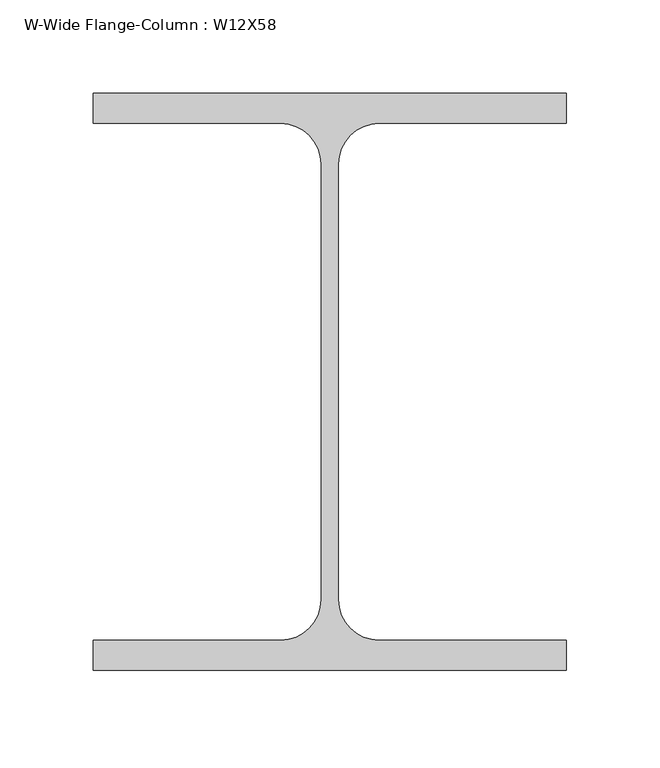
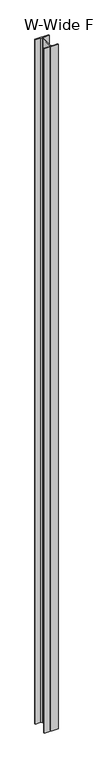
"""IFC4 building model written with IfcOpenShell, lengths in millimetres: column geometry, W-Wide Flange-Column : W12X58."""

from ifc_helpers import new_model, si_unit, point, frame, frame_2d, origin, place, context, project, spatial, polyline, circle_curve, trimmed, segment, composite_curve, outline, extrude, source, transform, mapped, element, save


def w_wide_flange_column_w12x58_a8f0b016(model_context):
    return source(origin(), model_context, "Body", "SweptSolid", [
        extrude(outline(composite_curve([segment(polyline([(127.0, 154.9300781), (127.0, 138.6582031), (26.3921875, 138.6582031)]), True, "CONTINUOUS"), segment(trimmed(circle_curve(frame_2d((26.3921875, 116.8300781)), 21.828125), [point((26.3921875, 138.6582031))], [point((4.5640625, 116.8300781))], True, "CARTESIAN"), True, "CONTINUOUS"), segment(polyline([(4.5640625, 116.8300781), (4.5640625, -116.8300781)]), True, "CONTINUOUS"), segment(trimmed(circle_curve(frame_2d((26.3921875, -116.8300781)), 21.828125), [point((4.5640625, -116.8300781))], [point((26.3921875, -138.6582031))], True, "CARTESIAN"), True, "CONTINUOUS"), segment(polyline([(26.3921875, -138.6582031), (127.0, -138.6582031), (127.0, -154.9300781), (-127.0, -154.9300781), (-127.0, -138.6582031), (-26.3921875, -138.6582031)]), True, "CONTINUOUS"), segment(trimmed(circle_curve(frame_2d((-26.3921875, -116.8300781)), 21.828125), [point((-26.3921875, -138.6582031))], [point((-4.5640625, -116.8300781))], True, "CARTESIAN"), True, "CONTINUOUS"), segment(polyline([(-4.5640625, -116.8300781), (-4.5640625, 116.8300781)]), True, "CONTINUOUS"), segment(trimmed(circle_curve(frame_2d((-26.3921875, 116.8300781)), 21.828125), [point((-4.5640625, 116.8300781))], [point((-26.3921875, 138.6582031))], True, "CARTESIAN"), True, "CONTINUOUS"), segment(polyline([(-26.3921875, 138.6582031), (-127.0, 138.6582031), (-127.0, 154.9300781), (127.0, 154.9300781)]), True, "CONTINUOUS")], self_intersect=False)), frame((0.0, 0.0, -4165.6), z_axis=(0.0, 0.0, 1.0), x_axis=(1.0, 0.0, 0.0)), (0.0, 0.0, 1.0), 13512.8),
    ])


if __name__ == "__main__":
    model = new_model("IFC4")
    model_context = context("Model", 3, world=origin())
    ifc_project = project(units=[si_unit("LENGTHUNIT", "METRE", prefix="MILLI")], contexts=[model_context])
    site = spatial("IfcSite", under=ifc_project)
    building = spatial("IfcBuilding", under=site)
    placement = place(None, origin())
    w_wide_flange_column_w12x58_shape = w_wide_flange_column_w12x58_a8f0b016(model_context)
    element("IfcColumn", 1, ObjectType="W-Wide Flange-Column : W12X58", at=placement, inside=building, context=model_context, shape_type="MappedRepresentation", body=[
        mapped(w_wide_flange_column_w12x58_shape, transform((0.0, 0.0, 0.0), x_axis=(1.0, 0.0, 0.0), y_axis=(0.0, 1.0, 0.0), z_axis=(0.0, 0.0, 1.0))),
    ])
    save(model, "model.ifc")
